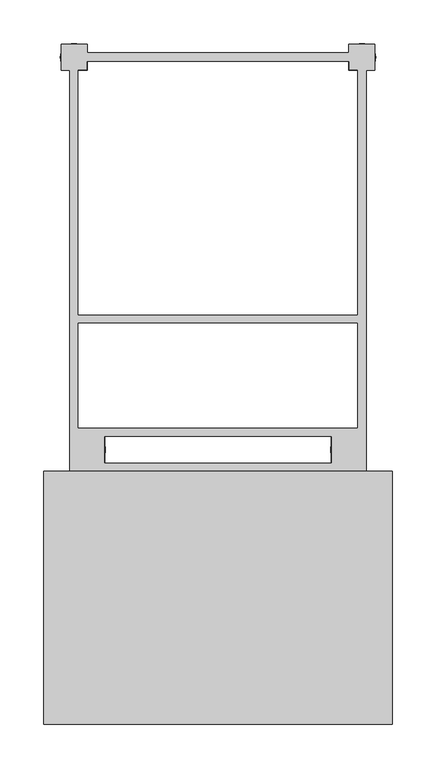
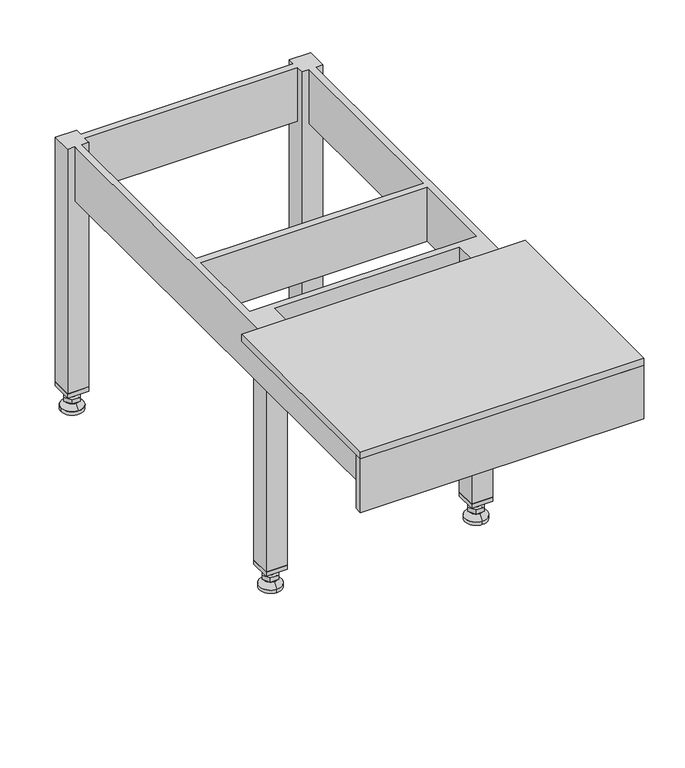
"""IFC4 building model written with IfcOpenShell, lengths in millimetres: furniture geometry."""

from ifc_helpers import new_model, si_unit, point, frame, frame_2d, origin, origin_with_axes, place, context, project, spatial, polyline, circle_curve, trimmed, segment, composite_curve, outline, extrude, faceted_brep, source, transform, mapped, element, save
from ifc_brep_helpers import plane_surface, revolved_surface, advanced_brep


def furniture_cd07022f(model_context):
    return source(origin(), model_context, "Body", "SolidModel", [
        extrude(outline(polyline([(180.0, 385.0), (180.0, 355.0), (150.0, 355.0), (150.0, 385.0), (180.0, 385.0)]), holes=[polyline([(178.0, 383.0), (152.0, 383.0), (152.0, 357.0), (178.0, 357.0), (178.0, 383.0)])]), frame((0.0, 0.0, 28.8), z_axis=(0.0, 0.0, 1.0), x_axis=(1.0, 0.0, 0.0)), (0.0, 0.0, 1.0), 6.2),
        extrude(outline(polyline([(160.0, -65.0), (160.0, -95.0), (130.0, -95.0), (130.0, -65.0), (160.0, -65.0)]), holes=[polyline([(158.0, -67.0), (132.0, -67.0), (132.0, -93.0), (158.0, -93.0), (158.0, -67.0)])]), frame((0.0, 0.0, 28.8), z_axis=(0.0, 0.0, 1.0), x_axis=(1.0, 0.0, 0.0)), (0.0, 0.0, 1.0), 6.2),
        extrude(outline(polyline([(-130.0, -65.0), (-130.0, -95.0), (-160.0, -95.0), (-160.0, -65.0), (-130.0, -65.0)]), holes=[polyline([(-132.0, -67.0), (-158.0, -67.0), (-158.0, -93.0), (-132.0, -93.0), (-132.0, -67.0)])]), frame((0.0, 0.0, 28.8), z_axis=(0.0, 0.0, 1.0), x_axis=(1.0, 0.0, 0.0)), (0.0, 0.0, 1.0), 6.2),
        extrude(outline(polyline([(-150.0, 385.0), (-150.0, 355.0), (-180.0, 355.0), (-180.0, 385.0), (-150.0, 385.0)]), holes=[polyline([(-152.0, 383.0), (-178.0, 383.0), (-178.0, 357.0), (-152.0, 357.0), (-152.0, 383.0)])]), frame((0.0, 0.0, 28.8), z_axis=(0.0, 0.0, 1.0), x_axis=(1.0, 0.0, 0.0)), (0.0, 0.0, 1.0), 6.2),
        extrude(outline(composite_curve([segment(trimmed(circle_curve(frame_2d((145.0, -80.0)), 5.0), [point((145.0, -75.0))], [point((145.0, -85.0))], False, "CARTESIAN"), True, "CONTINUOUS"), segment(trimmed(circle_curve(frame_2d((145.0, -80.0)), 5.0), [point((145.0, -85.0))], [point((145.0, -75.0))], False, "CARTESIAN"), True, "CONTINUOUS")], self_intersect=False)), frame((0.0, 0.0, 20.2), z_axis=(0.0, 0.0, 1.0), x_axis=(1.0, 0.0, 0.0)), (0.0, 0.0, 1.0), 14.8),
        extrude(outline(polyline([(133.4529946, -80.0), (139.2264973, -70.0), (150.7735027, -70.0), (156.5470054, -80.0), (150.7735027, -90.0), (139.2264973, -90.0), (133.4529946, -80.0)])), frame((0.0, 0.0, 14.0), z_axis=(0.0, 0.0, 1.0), x_axis=(1.0, 0.0, 0.0)), (0.0, 0.0, 1.0), 6.2),
        extrude(outline(composite_curve([segment(trimmed(circle_curve(frame_2d((145.0, -80.0)), 5.0), [point((145.0, -75.0))], [point((145.0, -85.0))], False, "CARTESIAN"), True, "CONTINUOUS"), segment(trimmed(circle_curve(frame_2d((145.0, -80.0)), 5.0), [point((145.0, -85.0))], [point((145.0, -75.0))], False, "CARTESIAN"), True, "CONTINUOUS")], self_intersect=False)), frame((0.0, 0.0, 12.5), z_axis=(0.0, 0.0, 1.0), x_axis=(1.0, 0.0, 0.0)), (0.0, 0.0, 1.0), 1.5),
        advanced_brep(
        [(145.0, -70.5, 12.5), (145.0, -89.5, 12.5), (145.0, -64.25, 5.1), (145.0, -95.75, 5.1)],
        [
            (0, 1, circle_curve(frame((145.0, -80.0, 12.5), z_axis=(0.0, 0.0, 1.0), x_axis=(0.0, 1.0, 0.0)), 9.5)),
            (1, 0, circle_curve(frame((145.0, -80.0, 12.5), z_axis=(0.0, 0.0, 1.0), x_axis=(0.0, -1.0, 0.0)), 9.5)),
            (2, 3, circle_curve(frame((145.0, -80.0, 5.1), z_axis=(0.0, 0.0, -1.0), x_axis=(0.0, -1.0, 0.0)), 15.75)),
            (3, 2, circle_curve(frame((145.0, -80.0, 5.1), z_axis=(0.0, 0.0, -1.0), x_axis=(0.0, 1.0, 0.0)), 15.75)),
            (3, 1),
            (0, 2),
        ],
        [
            plane_surface(frame((145.0, -80.0, 12.5), z_axis=(0.0, 0.0, 1.0), x_axis=(-1.0, 0.0, 0.0))),
            plane_surface(frame((145.0, -80.0, 5.1), z_axis=(0.0, 0.0, -1.0), x_axis=(-1.0, 0.0, 0.0))),
            revolved_surface(polyline([(145.0, -70.5, 12.5), (145.0, -64.25, 5.099999999999998)]), (145.0, -80.0, 23.748), (0.0, 0.0, -1.0)),
            revolved_surface(polyline([(145.0, -89.5, 12.5), (145.0, -95.75, 5.099999999999998)]), (145.0, -80.0, 23.748), (0.0, 0.0, -1.0)),
        ],
        [
            (0, [[1, 2]]),
            (1, [[3, 4]]),
            (2, [[-4, 5, -1, 6]]),
            (3, [[-3, -6, -2, -5]]),
        ],
    ),
        extrude(outline(composite_curve([segment(trimmed(circle_curve(frame_2d((145.0, -80.0)), 15.75), [point((145.0, -64.25))], [point((145.0, -95.75))], False, "CARTESIAN"), True, "CONTINUOUS"), segment(trimmed(circle_curve(frame_2d((145.0, -80.0)), 15.75), [point((145.0, -95.75))], [point((145.0, -64.25))], False, "CARTESIAN"), True, "CONTINUOUS")], self_intersect=False)), origin_with_axes(), (0.0, 0.0, 1.0), 5.1),
        extrude(outline(composite_curve([segment(trimmed(circle_curve(frame_2d((-145.0, -80.0)), 5.0), [point((-145.0, -75.0))], [point((-145.0, -85.0))], False, "CARTESIAN"), True, "CONTINUOUS"), segment(trimmed(circle_curve(frame_2d((-145.0, -80.0)), 5.0), [point((-145.0, -85.0))], [point((-145.0, -75.0))], False, "CARTESIAN"), True, "CONTINUOUS")], self_intersect=False)), frame((0.0, 0.0, 20.2), z_axis=(0.0, 0.0, 1.0), x_axis=(1.0, 0.0, 0.0)), (0.0, 0.0, 1.0), 14.8),
        extrude(outline(polyline([(-156.5470054, -80.0), (-150.7735027, -70.0), (-139.2264973, -70.0), (-133.4529946, -80.0), (-139.2264973, -90.0), (-150.7735027, -90.0), (-156.5470054, -80.0)])), frame((0.0, 0.0, 14.0), z_axis=(0.0, 0.0, 1.0), x_axis=(1.0, 0.0, 0.0)), (0.0, 0.0, 1.0), 6.2),
        extrude(outline(composite_curve([segment(trimmed(circle_curve(frame_2d((-145.0, -80.0)), 5.0), [point((-145.0, -75.0))], [point((-145.0, -85.0))], False, "CARTESIAN"), True, "CONTINUOUS"), segment(trimmed(circle_curve(frame_2d((-145.0, -80.0)), 5.0), [point((-145.0, -85.0))], [point((-145.0, -75.0))], False, "CARTESIAN"), True, "CONTINUOUS")], self_intersect=False)), frame((0.0, 0.0, 12.5), z_axis=(0.0, 0.0, 1.0), x_axis=(1.0, 0.0, 0.0)), (0.0, 0.0, 1.0), 1.5),
        advanced_brep(
        [(-145.0, -70.5, 12.5), (-145.0, -89.5, 12.5), (-145.0, -64.25, 5.1), (-145.0, -95.75, 5.1)],
        [
            (0, 1, circle_curve(frame((-145.0, -80.0, 12.5), z_axis=(0.0, 0.0, 1.0), x_axis=(0.0, 1.0, 0.0)), 9.5)),
            (1, 0, circle_curve(frame((-145.0, -80.0, 12.5), z_axis=(0.0, 0.0, 1.0), x_axis=(0.0, -1.0, 0.0)), 9.5)),
            (2, 3, circle_curve(frame((-145.0, -80.0, 5.1), z_axis=(0.0, 0.0, -1.0), x_axis=(0.0, -1.0, 0.0)), 15.75)),
            (3, 2, circle_curve(frame((-145.0, -80.0, 5.1), z_axis=(0.0, 0.0, -1.0), x_axis=(0.0, 1.0, 0.0)), 15.75)),
            (3, 1),
            (0, 2),
        ],
        [
            plane_surface(frame((-145.0, -80.0, 12.5), z_axis=(0.0, 0.0, 1.0), x_axis=(-1.0, 0.0, 0.0))),
            plane_surface(frame((-145.0, -80.0, 5.1), z_axis=(0.0, 0.0, -1.0), x_axis=(-1.0, 0.0, 0.0))),
            revolved_surface(polyline([(-145.0, -70.5, 12.5), (-145.0, -64.25, 5.099999999999998)]), (-145.0, -80.0, 23.748), (0.0, 0.0, -1.0)),
            revolved_surface(polyline([(-145.0, -89.5, 12.5), (-145.0, -95.75, 5.099999999999998)]), (-145.0, -80.0, 23.748), (0.0, 0.0, -1.0)),
        ],
        [
            (0, [[1, 2]]),
            (1, [[3, 4]]),
            (2, [[-4, 5, -1, 6]]),
            (3, [[-3, -6, -2, -5]]),
        ],
    ),
        extrude(outline(composite_curve([segment(trimmed(circle_curve(frame_2d((-145.0, -80.0)), 15.75), [point((-145.0, -64.25))], [point((-145.0, -95.75))], False, "CARTESIAN"), True, "CONTINUOUS"), segment(trimmed(circle_curve(frame_2d((-145.0, -80.0)), 15.75), [point((-145.0, -95.75))], [point((-145.0, -64.25))], False, "CARTESIAN"), True, "CONTINUOUS")], self_intersect=False)), origin_with_axes(), (0.0, 0.0, 1.0), 5.1),
        extrude(outline(polyline([(-200.0, -395.0), (-200.0, -105.0), (200.0, -105.0), (200.0, -395.0), (-200.0, -395.0)])), frame((0.0, 0.0, 400.0), z_axis=(0.0, 0.0, 1.0), x_axis=(1.0, 0.0, 0.0)), (0.0, 0.0, 1.0), 10.0),
        extrude(outline(composite_curve([segment(trimmed(circle_curve(frame_2d((-165.0, 370.0)), 5.0), [point((-160.0, 370.0))], [point((-170.0, 370.0))], False, "CARTESIAN"), True, "CONTINUOUS"), segment(trimmed(circle_curve(frame_2d((-165.0, 370.0)), 5.0), [point((-170.0, 370.0))], [point((-160.0, 370.0))], False, "CARTESIAN"), True, "CONTINUOUS")], self_intersect=False)), frame((0.0, 0.0, 20.2), z_axis=(0.0, 0.0, 1.0), x_axis=(1.0, 0.0, 0.0)), (0.0, 0.0, 1.0), 14.8),
        extrude(outline(composite_curve([segment(trimmed(circle_curve(frame_2d((165.0, 370.0)), 5.0), [point((170.0, 370.0))], [point((160.0, 370.0))], False, "CARTESIAN"), True, "CONTINUOUS"), segment(trimmed(circle_curve(frame_2d((165.0, 370.0)), 5.0), [point((160.0, 370.0))], [point((170.0, 370.0))], False, "CARTESIAN"), True, "CONTINUOUS")], self_intersect=False)), frame((0.0, 0.0, 20.2), z_axis=(0.0, 0.0, 1.0), x_axis=(1.0, 0.0, 0.0)), (0.0, 0.0, 1.0), 14.8),
        extrude(outline(polyline([(153.4529946, 370.0), (159.2264973, 380.0), (170.7735027, 380.0), (176.5470054, 370.0), (170.7735027, 360.0), (159.2264973, 360.0), (153.4529946, 370.0)])), frame((0.0, 0.0, 14.0), z_axis=(0.0, 0.0, 1.0), x_axis=(1.0, 0.0, 0.0)), (0.0, 0.0, 1.0), 6.2),
        extrude(outline(composite_curve([segment(trimmed(circle_curve(frame_2d((165.0, 370.0)), 5.0), [point((170.0, 370.0))], [point((160.0, 370.0))], False, "CARTESIAN"), True, "CONTINUOUS"), segment(trimmed(circle_curve(frame_2d((165.0, 370.0)), 5.0), [point((160.0, 370.0))], [point((170.0, 370.0))], False, "CARTESIAN"), True, "CONTINUOUS")], self_intersect=False)), frame((0.0, 0.0, 12.5), z_axis=(0.0, 0.0, 1.0), x_axis=(1.0, 0.0, 0.0)), (0.0, 0.0, 1.0), 1.5),
        extrude(outline(polyline([(-176.5470054, 370.0), (-170.7735027, 380.0), (-159.2264973, 380.0), (-153.4529946, 370.0), (-159.2264973, 360.0), (-170.7735027, 360.0), (-176.5470054, 370.0)])), frame((0.0, 0.0, 14.0), z_axis=(0.0, 0.0, 1.0), x_axis=(1.0, 0.0, 0.0)), (0.0, 0.0, 1.0), 6.2),
        extrude(outline(composite_curve([segment(trimmed(circle_curve(frame_2d((-165.0, 370.0)), 5.0), [point((-165.0, 375.0))], [point((-165.0, 365.0))], False, "CARTESIAN"), True, "CONTINUOUS"), segment(trimmed(circle_curve(frame_2d((-165.0, 370.0)), 5.0), [point((-165.0, 365.0))], [point((-165.0, 375.0))], False, "CARTESIAN"), True, "CONTINUOUS")], self_intersect=False)), frame((0.0, 0.0, 12.5), z_axis=(0.0, 0.0, 1.0), x_axis=(1.0, 0.0, 0.0)), (0.0, 0.0, 1.0), 1.5),
        extrude(outline(polyline([(-200.0, -395.0), (-200.0, -385.0), (200.0, -385.0), (200.0, -395.0), (-200.0, -395.0)])), frame((0.0, 0.0, 320.0), z_axis=(0.0, 0.0, 1.0), x_axis=(1.0, 0.0, 0.0)), (0.0, 0.0, 1.0), 80.0),
        extrude(outline(composite_curve([segment(trimmed(circle_curve(frame_2d((165.0, 370.0)), 15.75), [point((180.75, 370.0))], [point((149.25, 370.0))], False, "CARTESIAN"), True, "CONTINUOUS"), segment(trimmed(circle_curve(frame_2d((165.0, 370.0)), 15.75), [point((149.25, 370.0))], [point((180.75, 370.0))], False, "CARTESIAN"), True, "CONTINUOUS")], self_intersect=False)), origin_with_axes(), (0.0, 0.0, 1.0), 5.1),
        extrude(outline(composite_curve([segment(trimmed(circle_curve(frame_2d((-165.0, 370.0)), 15.75), [point((-149.25, 370.0))], [point((-180.75, 370.0))], False, "CARTESIAN"), True, "CONTINUOUS"), segment(trimmed(circle_curve(frame_2d((-165.0, 370.0)), 15.75), [point((-180.75, 370.0))], [point((-149.25, 370.0))], False, "CARTESIAN"), True, "CONTINUOUS")], self_intersect=False)), origin_with_axes(), (0.0, 0.0, 1.0), 5.1),
        advanced_brep(
        [(-165.0, 385.75, 5.1), (-165.0, 354.25, 5.1), (-165.0, 379.5, 12.5), (-165.0, 360.5, 12.5)],
        [
            (0, 1, circle_curve(frame((-165.0, 370.0, 5.1), z_axis=(0.0, 0.0, -1.0), x_axis=(0.0, 1.0, 0.0)), 15.75)),
            (1, 0, circle_curve(frame((-165.0, 370.0, 5.1), z_axis=(0.0, 0.0, -1.0), x_axis=(0.0, -1.0, 0.0)), 15.75)),
            (2, 3, circle_curve(frame((-165.0, 370.0, 12.5), z_axis=(0.0, 0.0, 1.0), x_axis=(0.0, -1.0, 0.0)), 9.5)),
            (3, 2, circle_curve(frame((-165.0, 370.0, 12.5), z_axis=(0.0, 0.0, 1.0), x_axis=(0.0, 1.0, 0.0)), 9.5)),
            (3, 1),
            (0, 2),
        ],
        [
            plane_surface(frame((-165.0, 370.0, 5.1), z_axis=(0.0, 0.0, -1.0), x_axis=(1.0, 0.0, 0.0))),
            plane_surface(frame((-165.0, 370.0, 12.5), z_axis=(0.0, 0.0, 1.0), x_axis=(1.0, 0.0, 0.0))),
            revolved_surface(polyline([(-165.0, 360.5, 12.5), (-165.0, 354.25, 5.099999999999998)]), (-165.0, 370.0, 23.748), (0.0, 0.0, -1.0)),
            revolved_surface(polyline([(-165.0, 379.5, 12.5), (-165.0, 385.75, 5.099999999999998)]), (-165.0, 370.0, 23.748), (0.0, 0.0, -1.0)),
        ],
        [
            (0, [[1, 2]]),
            (1, [[3, 4]]),
            (2, [[-4, 5, -1, 6]]),
            (3, [[-3, -6, -2, -5]]),
        ],
    ),
        advanced_brep(
        [(165.0, 385.75, 5.1), (165.0, 354.25, 5.1), (165.0, 379.5, 12.5), (165.0, 360.5, 12.5)],
        [
            (0, 1, circle_curve(frame((165.0, 370.0, 5.1), z_axis=(0.0, 0.0, -1.0), x_axis=(0.0, 1.0, 0.0)), 15.75)),
            (1, 0, circle_curve(frame((165.0, 370.0, 5.1), z_axis=(0.0, 0.0, -1.0), x_axis=(0.0, -1.0, 0.0)), 15.75)),
            (2, 3, circle_curve(frame((165.0, 370.0, 12.5), z_axis=(0.0, 0.0, 1.0), x_axis=(0.0, -1.0, 0.0)), 9.5)),
            (3, 2, circle_curve(frame((165.0, 370.0, 12.5), z_axis=(0.0, 0.0, 1.0), x_axis=(0.0, 1.0, 0.0)), 9.5)),
            (3, 1),
            (0, 2),
        ],
        [
            plane_surface(frame((165.0, 370.0, 5.1), z_axis=(0.0, 0.0, -1.0), x_axis=(1.0, 0.0, 0.0))),
            plane_surface(frame((165.0, 370.0, 12.5), z_axis=(0.0, 0.0, 1.0), x_axis=(1.0, 0.0, 0.0))),
            revolved_surface(polyline([(165.0, 360.5, 12.5), (165.0, 354.25, 5.099999999999998)]), (165.0, 370.0, 23.748), (0.0, 0.0, -1.0)),
            revolved_surface(polyline([(165.0, 379.5, 12.5), (165.0, 385.75, 5.099999999999998)]), (165.0, 370.0, 23.748), (0.0, 0.0, -1.0)),
        ],
        [
            (0, [[1, 2]]),
            (1, [[3, 4]]),
            (2, [[-4, 5, -1, 6]]),
            (3, [[-3, -6, -2, -5]]),
        ],
    ),
        faceted_brep([(-150.0, 385.0, 400.0), (-180.0, 385.0, 400.0), (-180.0, 355.0, 400.0), (-170.0, 355.0, 400.0), (-170.0, -385.0, 400.0), (-160.0, -385.0, 400.0), (-160.0, -105.0, 400.0), (160.0, -105.0, 400.0), (160.0, -385.0, 400.0), (170.0, -385.0, 400.0), (170.0, 355.0, 400.0), (180.0, 355.0, 400.0), (180.0, 385.0, 400.0), (150.0, 385.0, 400.0), (150.0, 375.0, 400.0), (-150.0, 375.0, 400.0), (-150.0, 365.0, 400.0), (150.0, 365.0, 400.0), (150.0, 355.0, 400.0), (160.0, 355.0, 400.0), (160.0, 75.0, 400.0), (-160.0, 75.0, 400.0), (-160.0, 355.0, 400.0), (-150.0, 355.0, 400.0), (-160.0, 65.0, 400.0), (160.0, 65.0, 400.0), (160.0, -55.0, 400.0), (-160.0, -55.0, 400.0), (130.0, -65.0, 400.0), (130.0, -95.0, 400.0), (-130.0, -95.0, 400.0), (-130.0, -65.0, 400.0), (-150.0, 385.0, 35.0), (-150.0, 355.0, 35.0), (-180.0, 355.0, 35.0), (-180.0, 385.0, 35.0), (-160.0, 355.0, 320.0), (-170.0, 355.0, 320.0), (-150.0, 375.0, 320.0), (-150.0, 365.0, 320.0), (150.0, 385.0, 35.0), (180.0, 385.0, 35.0), (180.0, 355.0, 35.0), (150.0, 355.0, 35.0), (150.0, 365.0, 320.0), (150.0, 375.0, 320.0), (170.0, 355.0, 320.0), (160.0, 355.0, 320.0), (-170.0, -385.0, 320.0), (-160.0, -385.0, 320.0), (-160.0, 75.0, 320.0), (-160.0, -105.0, 320.0), (-160.0, 65.0, 320.0), (-160.0, -55.0, 320.0), (160.0, 75.0, 320.0), (170.0, -385.0, 320.0), (160.0, -385.0, 320.0), (160.0, -105.0, 320.0), (160.0, 65.0, 320.0), (160.0, -55.0, 320.0), (160.0, -65.0, 320.0), (130.0, -65.0, 320.0), (-130.0, -65.0, 320.0), (-160.0, -65.0, 320.0), (-160.0, -95.0, 320.0), (-130.0, -95.0, 320.0), (130.0, -95.0, 320.0), (160.0, -95.0, 320.0), (130.0, -65.0, 35.0), (160.0, -65.0, 35.0), (160.0, -95.0, 35.0), (130.0, -95.0, 35.0), (-160.0, -95.0, 35.0), (-160.0, -65.0, 35.0), (-130.0, -65.0, 35.0), (-130.0, -95.0, 35.0)], [[[0, 1, 2, 3, 4, 5, 6, 7, 8, 9, 10, 11, 12, 13, 14, 15], [16, 17, 18, 19, 20, 21, 22, 23], [24, 25, 26, 27], [28, 29, 30, 31]], [[32, 33, 34, 35]], [[1, 0, 32, 35]], [[2, 1, 35, 34]], [[34, 33, 23, 22, 36, 37, 3, 2]], [[33, 32, 0, 15, 38, 39, 16, 23]], [[40, 41, 42, 43]], [[40, 43, 18, 17, 44, 45, 14, 13]], [[43, 42, 11, 10, 46, 47, 19, 18]], [[12, 11, 42, 41]], [[13, 12, 41, 40]], [[17, 16, 39, 44]], [[44, 39, 38, 45]], [[15, 14, 45, 38]], [[48, 49, 5, 4]], [[48, 4, 3, 37]], [[36, 22, 21, 50]], [[5, 49, 51, 6]], [[52, 24, 27, 53]], [[49, 48, 37, 36, 50, 54, 47, 46, 55, 56, 57, 51], [58, 52, 53, 59], [60, 61, 62, 63, 64, 65, 66, 67]], [[9, 8, 56, 55]], [[19, 47, 54, 20]], [[56, 8, 7, 57]], [[25, 58, 59, 26]], [[9, 55, 46, 10]], [[52, 58, 25, 24]], [[54, 50, 21, 20]], [[61, 28, 31, 62]], [[59, 53, 27, 26]], [[29, 66, 65, 30]], [[51, 57, 7, 6]], [[68, 69, 70, 71]], [[69, 68, 61, 60]], [[70, 69, 60, 67]], [[71, 70, 67, 66]], [[68, 71, 66, 29, 28, 61]], [[72, 73, 74, 75]], [[72, 75, 65, 64]], [[31, 30, 65, 75, 74, 62]], [[74, 73, 63, 62]], [[73, 72, 64, 63]]]),
    ])


if __name__ == "__main__":
    model = new_model("IFC4")
    model_context = context("Model", 3, world=origin())
    ifc_project = project(units=[si_unit("LENGTHUNIT", "METRE", prefix="MILLI")], contexts=[model_context])
    site = spatial("IfcSite", under=ifc_project)
    building = spatial("IfcBuilding", under=site)
    placement = place(None, origin())
    furniture_shape = furniture_cd07022f(model_context)
    element("IfcFurniture", 1, at=placement, inside=building, context=model_context, shape_type="MappedRepresentation", body=[
        mapped(furniture_shape, transform((0.0, 0.0, 0.0), x_axis=(1.0, 0.0, 0.0), y_axis=(0.0, 1.0, 0.0), z_axis=(0.0, 0.0, 1.0))),
    ])
    save(model, "model.ifc")
